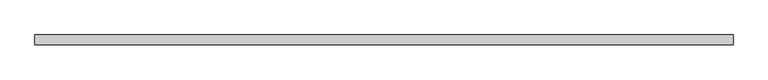
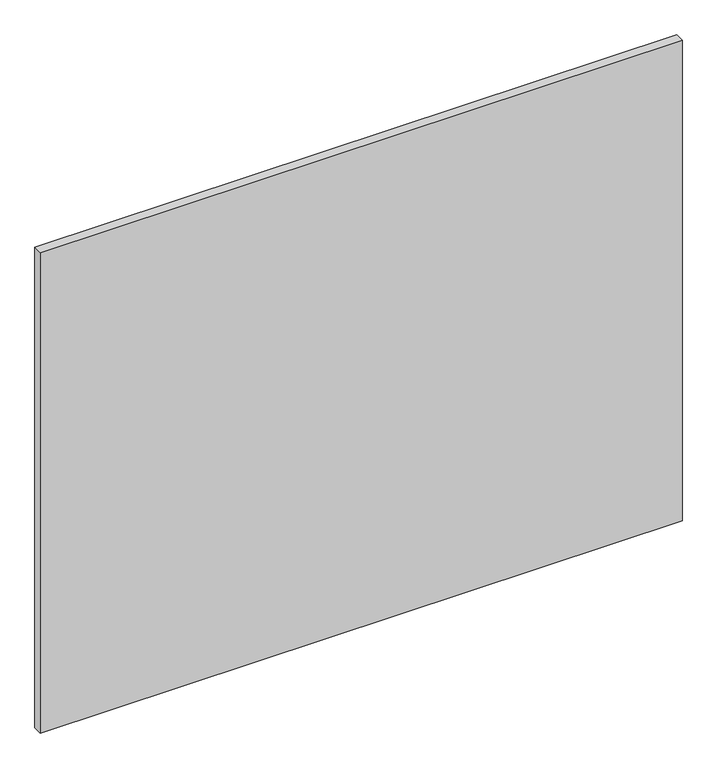
"""IFC4 building model written with IfcOpenShell, lengths in millimetres: plate geometry."""

from ifc_helpers import new_model, si_unit, origin, origin_with_axes, place, context, project, spatial, polyline, outline, extrude, source, transform, mapped, element, save


def plate_e439dffb(model_context):
    return source(origin(), model_context, "Body", "SweptSolid", [
        extrude(outline(polyline([(1112.8331619, -15.875), (-1112.8331619, -15.875), (-1112.8331619, 15.875), (1112.8331619, 15.875), (1112.8331619, -15.875)])), origin_with_axes(), (0.0, 0.0, 1.0), 1761.2320313),
    ])


if __name__ == "__main__":
    model = new_model("IFC4")
    model_context = context("Model", 3, world=origin())
    ifc_project = project(units=[si_unit("LENGTHUNIT", "METRE", prefix="MILLI")], contexts=[model_context])
    site = spatial("IfcSite", under=ifc_project)
    building = spatial("IfcBuilding", under=site)
    placement = place(None, origin())
    plate_shape = plate_e439dffb(model_context)
    element("IfcPlate", 1, at=placement, inside=building, context=model_context, shape_type="MappedRepresentation", body=[
        mapped(plate_shape, transform((0.0, 0.0, 0.0), x_axis=(1.0, 0.0, 0.0), y_axis=(0.0, 1.0, 0.0), z_axis=(0.0, 0.0, 1.0))),
    ])
    save(model, "model.ifc")
